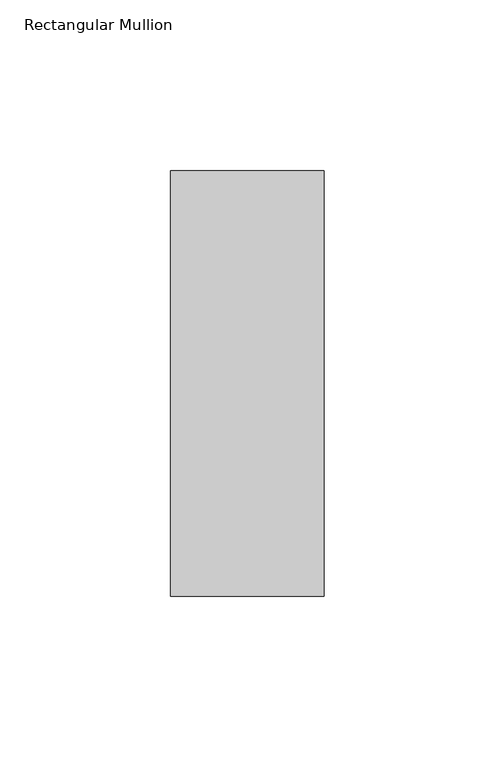
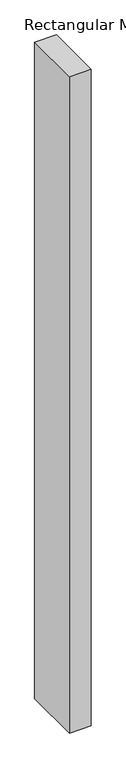
"""IFC4 building model written with IfcOpenShell, lengths in millimetres: member geometry, Rectangular Mullion."""

from ifc_helpers import new_model, si_unit, frame, origin, place, context, project, spatial, polyline, outline, extrude, source, transform, mapped, element, save


def rectangular_mullion_51083473(model_context):
    return source(origin(), model_context, "Body", "SweptSolid", [
        extrude(outline(polyline([(0.0, 77.84375), (0.0, -46.84375), (-45.0, -46.84375), (-45.0, 77.84375), (0.0, 77.84375)])), frame((0.0, 0.0, -1440.3794068), z_axis=(0.0, 0.0, 1.0), x_axis=(1.0, 0.0, 0.0)), (0.0, 0.0, 1.0), 1440.3794068),
    ])


if __name__ == "__main__":
    model = new_model("IFC4")
    model_context = context("Model", 3, world=origin())
    ifc_project = project(units=[si_unit("LENGTHUNIT", "METRE", prefix="MILLI")], contexts=[model_context])
    site = spatial("IfcSite", under=ifc_project)
    building = spatial("IfcBuilding", under=site)
    placement = place(None, origin())
    rectangular_mullion_shape = rectangular_mullion_51083473(model_context)
    element("IfcMember", 1, ObjectType="Rectangular Mullion", at=placement, inside=building, context=model_context, shape_type="MappedRepresentation", body=[
        mapped(rectangular_mullion_shape, transform((0.0, 0.0, 0.0), x_axis=(1.0, 0.0, 0.0), y_axis=(0.0, 1.0, 0.0), z_axis=(0.0, 0.0, 1.0))),
    ])
    save(model, "model.ifc")
